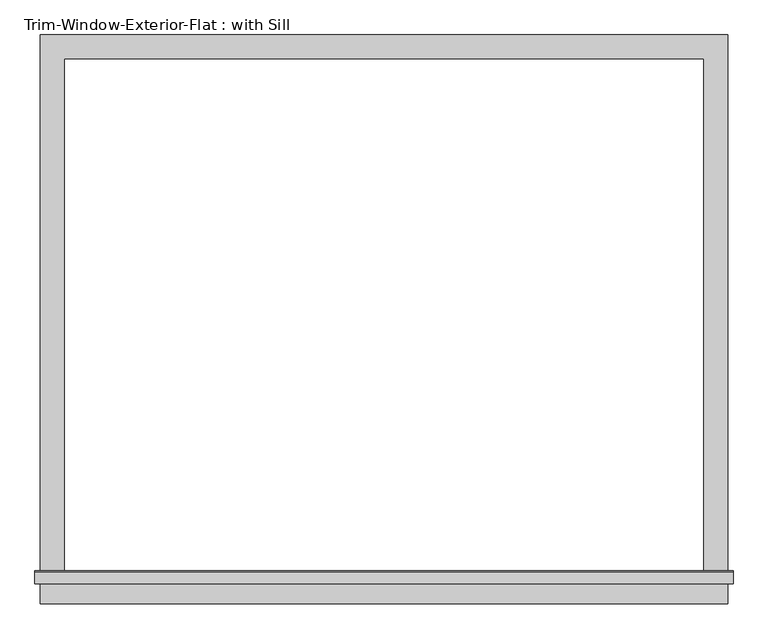
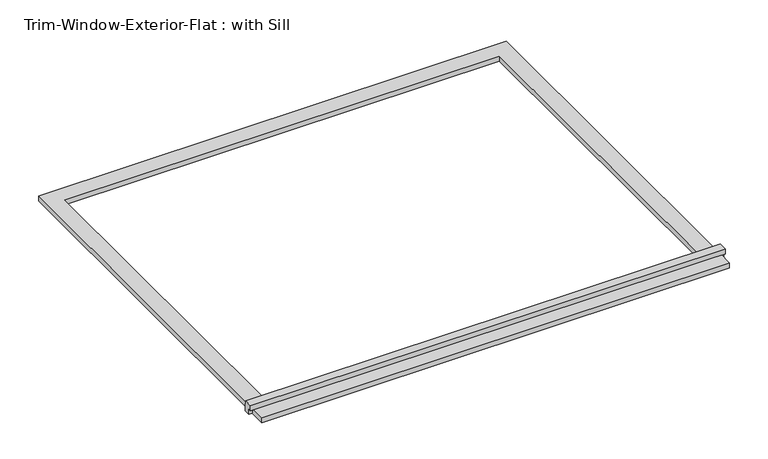
"""IFC4 building model written with IfcOpenShell, lengths in millimetres: proxy geometry, Trim-Window-Exterior-Flat : with Sill."""

from ifc_helpers import new_model, si_unit, frame, origin, origin_with_axes, place, context, project, spatial, polyline, outline, extrude, source, transform, mapped, element, save


def trim_window_exterior_flat_with_sill_7631c5ba(model_context):
    return source(origin(), model_context, "Body", "SweptSolid", [
        extrude(outline(polyline([(819.15, -1241.3823709), (819.15, -1298.5323709), (-819.15, -1298.5323709), (-819.15, -1241.3823709), (819.15, -1241.3823709)])), origin_with_axes(), (0.0, 0.0, 1.0), 19.05),
        extrude(outline(polyline([(-1250.95, 38.1), (-1221.6580645, 38.1), (-1219.2, 19.05), (-1219.2, 0.0), (-1241.3823709, 0.0), (-1241.3823709, 19.05), (-1250.95, 19.05), (-1250.95, 38.1)])), frame((-831.85, 0.0, 0.0), z_axis=(1.0, 0.0, 0.0), x_axis=(0.0, 1.0, 0.0)), (0.0, 0.0, 1.0), 1663.7),
        extrude(outline(polyline([(-819.15, 57.15), (819.15, 57.15), (819.15, -1219.2), (762.0, -1219.2), (762.0, 0.0), (-762.0, 0.0), (-762.0, -1219.2), (-819.15, -1219.2), (-819.15, 57.15)])), origin_with_axes(), (0.0, 0.0, 1.0), 19.05),
    ])


if __name__ == "__main__":
    model = new_model("IFC4")
    model_context = context("Model", 3, world=origin())
    ifc_project = project(units=[si_unit("LENGTHUNIT", "METRE", prefix="MILLI")], contexts=[model_context])
    site = spatial("IfcSite", under=ifc_project)
    building = spatial("IfcBuilding", under=site)
    placement = place(None, origin())
    trim_window_exterior_flat_with_sill_shape = trim_window_exterior_flat_with_sill_7631c5ba(model_context)
    element("IfcBuildingElementProxy", 1, Name="Trim-Window-Exterior-Flat : with Sill", ObjectType="Trim-Window-Exterior-Flat : with Sill", at=placement, inside=building, context=model_context, shape_type="MappedRepresentation", body=[
        mapped(trim_window_exterior_flat_with_sill_shape, transform((0.0, 0.0, 0.0), x_axis=(1.0, 0.0, 0.0), y_axis=(0.0, 1.0, 0.0), z_axis=(0.0, 0.0, 1.0))),
    ])
    save(model, "model.ifc")
